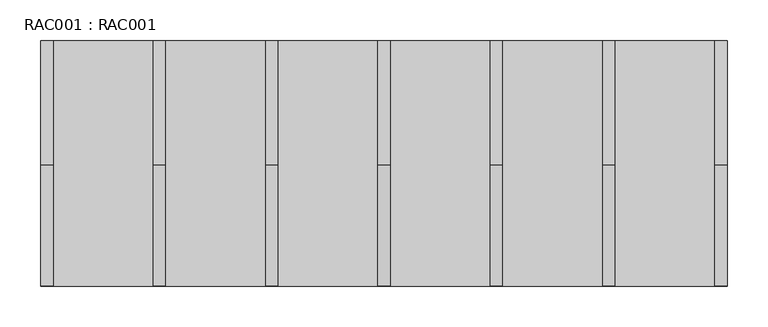
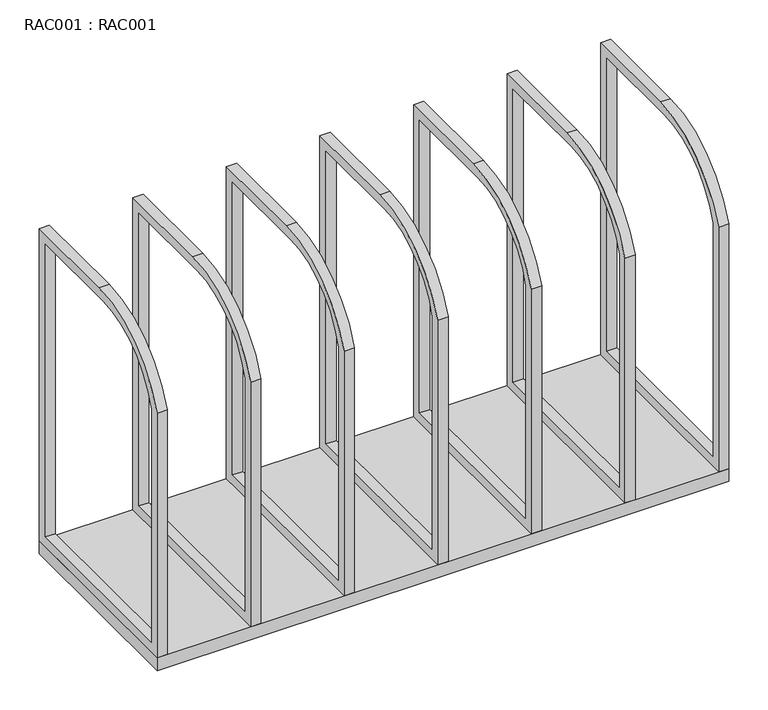
"""IFC4 building model written with IfcOpenShell, lengths in millimetres: proxy geometry, RAC001 : RAC001."""

from ifc_helpers import new_model, si_unit, point, frame, frame_2d, origin, place, context, project, spatial, polyline, circle_curve, trimmed, segment, composite_curve, outline, extrude, source, transform, mapped, element, save


def rac001_rac001_e29019bd(model_context):
    return source(origin(), model_context, "Body", "SweptSolid", [
        extrude(outline(composite_curve([segment(polyline([(0.0, 485.000004), (0.0, 0.0), (-300.0000023, 0.0), (-300.0000023, 380.0148581)]), True, "CONTINUOUS"), segment(trimmed(circle_curve(frame_2d((-151.8000003, 327.9057734)), 157.0942306), [point((-300.0000023, 380.0148581))], [point((-151.8000003, 485.000004))], False, "CARTESIAN"), True, "CONTINUOUS"), segment(polyline([(-151.8000003, 485.000004), (0.0, 485.000004)]), True, "CONTINUOUS")], self_intersect=False), holes=[composite_curve([segment(polyline([(-14.9999997, 470.0000112), (-161.4191633, 470.0000112)]), True, "CONTINUOUS"), segment(trimmed(circle_curve(frame_2d((-161.4191633, 341.3696967)), 128.6303145), [point((-161.4191633, 470.0000112))], [point((-284.9999913, 377.0563433))], True, "CARTESIAN"), True, "CONTINUOUS"), segment(polyline([(-284.9999913, 377.0563433), (-284.9999913, 14.9999995), (-14.9999997, 14.9999995), (-14.9999997, 470.0000112)]), True, "CONTINUOUS")], self_intersect=False)]), frame((137.4999271, 0.0, 0.0), z_axis=(1.0, 0.0, 0.0), x_axis=(0.0, 1.0, 0.0)), (0.0, 0.0, 1.0), 15.0000292),
        extrude(outline(composite_curve([segment(polyline([(0.0, 485.000004), (0.0, 0.0), (-300.0000023, 0.0), (-300.0000023, 380.0148581)]), True, "CONTINUOUS"), segment(trimmed(circle_curve(frame_2d((-151.8000003, 327.9057734)), 157.0942306), [point((-300.0000023, 380.0148581))], [point((-151.8000003, 485.000004))], False, "CARTESIAN"), True, "CONTINUOUS"), segment(polyline([(-151.8000003, 485.000004), (0.0, 485.000004)]), True, "CONTINUOUS")], self_intersect=False), holes=[composite_curve([segment(polyline([(-14.9999997, 470.0000112), (-161.4191633, 470.0000112)]), True, "CONTINUOUS"), segment(trimmed(circle_curve(frame_2d((-161.4191633, 341.3696967)), 128.6303145), [point((-161.4191633, 470.0000112))], [point((-284.9999913, 377.0563433))], True, "CARTESIAN"), True, "CONTINUOUS"), segment(polyline([(-284.9999913, 377.0563433), (-284.9999913, 14.9999995), (-14.9999997, 14.9999995), (-14.9999997, 470.0000112)]), True, "CONTINUOUS")], self_intersect=False)]), frame((274.9999334, 0.0, 0.0), z_axis=(1.0, 0.0, 0.0), x_axis=(0.0, 1.0, 0.0)), (0.0, 0.0, 1.0), 15.0000292),
        extrude(outline(composite_curve([segment(polyline([(0.0, 485.000004), (0.0, 0.0), (-300.0000023, 0.0), (-300.0000023, 380.0148581)]), True, "CONTINUOUS"), segment(trimmed(circle_curve(frame_2d((-151.8000003, 327.9057734)), 157.0942306), [point((-300.0000023, 380.0148581))], [point((-151.8000003, 485.000004))], False, "CARTESIAN"), True, "CONTINUOUS"), segment(polyline([(-151.8000003, 485.000004), (0.0, 485.000004)]), True, "CONTINUOUS")], self_intersect=False), holes=[composite_curve([segment(polyline([(-14.9999997, 470.0000112), (-161.4191633, 470.0000112)]), True, "CONTINUOUS"), segment(trimmed(circle_curve(frame_2d((-161.4191633, 341.3696967)), 128.6303145), [point((-161.4191633, 470.0000112))], [point((-284.9999913, 377.0563433))], True, "CARTESIAN"), True, "CONTINUOUS"), segment(polyline([(-284.9999913, 377.0563433), (-284.9999913, 14.9999995), (-14.9999997, 14.9999995), (-14.9999997, 470.0000112)]), True, "CONTINUOUS")], self_intersect=False)]), frame((412.4999271, 0.0, 0.0), z_axis=(1.0, 0.0, 0.0), x_axis=(0.0, 1.0, 0.0)), (0.0, 0.0, 1.0), 15.0000292),
        extrude(outline(composite_curve([segment(polyline([(0.0, 485.000004), (0.0, 0.0), (-300.0000023, 0.0), (-300.0000023, 380.0148581)]), True, "CONTINUOUS"), segment(trimmed(circle_curve(frame_2d((-151.8000003, 327.9057734)), 157.0942306), [point((-300.0000023, 380.0148581))], [point((-151.8000003, 485.000004))], False, "CARTESIAN"), True, "CONTINUOUS"), segment(polyline([(-151.8000003, 485.000004), (0.0, 485.000004)]), True, "CONTINUOUS")], self_intersect=False), holes=[composite_curve([segment(polyline([(-14.9999997, 470.0000112), (-161.4191633, 470.0000112)]), True, "CONTINUOUS"), segment(trimmed(circle_curve(frame_2d((-161.4191633, 341.3696967)), 128.6303145), [point((-161.4191633, 470.0000112))], [point((-284.9999913, 377.0563433))], True, "CARTESIAN"), True, "CONTINUOUS"), segment(polyline([(-284.9999913, 377.0563433), (-284.9999913, 14.9999995), (-14.9999997, 14.9999995), (-14.9999997, 470.0000112)]), True, "CONTINUOUS")], self_intersect=False)]), frame((549.9999334, 0.0, 0.0), z_axis=(1.0, 0.0, 0.0), x_axis=(0.0, 1.0, 0.0)), (0.0, 0.0, 1.0), 15.0000292),
        extrude(outline(composite_curve([segment(polyline([(0.0, 485.000004), (0.0, 0.0), (-300.0000023, 0.0), (-300.0000023, 380.0148581)]), True, "CONTINUOUS"), segment(trimmed(circle_curve(frame_2d((-151.8000003, 327.9057734)), 157.0942306), [point((-300.0000023, 380.0148581))], [point((-151.8000003, 485.000004))], False, "CARTESIAN"), True, "CONTINUOUS"), segment(polyline([(-151.8000003, 485.000004), (0.0, 485.000004)]), True, "CONTINUOUS")], self_intersect=False), holes=[composite_curve([segment(polyline([(-14.9999997, 470.0000112), (-161.4191633, 470.0000112)]), True, "CONTINUOUS"), segment(trimmed(circle_curve(frame_2d((-161.4191633, 341.3696967)), 128.6303145), [point((-161.4191633, 470.0000112))], [point((-284.9999913, 377.0563433))], True, "CARTESIAN"), True, "CONTINUOUS"), segment(polyline([(-284.9999913, 377.0563433), (-284.9999913, 14.9999995), (-14.9999997, 14.9999995), (-14.9999997, 470.0000112)]), True, "CONTINUOUS")], self_intersect=False)]), frame((687.4999626, 0.0, 0.0), z_axis=(1.0, 0.0, 0.0), x_axis=(0.0, 1.0, 0.0)), (0.0, 0.0, 1.0), 15.0000292),
        extrude(outline(composite_curve([segment(polyline([(0.0, 485.000004), (0.0, 0.0), (-300.0000023, 0.0), (-300.0000023, 380.0148581)]), True, "CONTINUOUS"), segment(trimmed(circle_curve(frame_2d((-151.8000003, 327.9057734)), 157.0942306), [point((-300.0000023, 380.0148581))], [point((-151.8000003, 485.000004))], False, "CARTESIAN"), True, "CONTINUOUS"), segment(polyline([(-151.8000003, 485.000004), (0.0, 485.000004)]), True, "CONTINUOUS")], self_intersect=False), holes=[composite_curve([segment(polyline([(-14.9999997, 470.0000112), (-161.4191633, 470.0000112)]), True, "CONTINUOUS"), segment(trimmed(circle_curve(frame_2d((-161.4191633, 341.3696967)), 128.6303145), [point((-161.4191633, 470.0000112))], [point((-284.9999913, 377.0563433))], True, "CARTESIAN"), True, "CONTINUOUS"), segment(polyline([(-284.9999913, 377.0563433), (-284.9999913, 14.9999995), (-14.9999997, 14.9999995), (-14.9999997, 470.0000112)]), True, "CONTINUOUS")], self_intersect=False)]), frame((0.0, 0.0, 0.0), z_axis=(1.0, 0.0, 0.0), x_axis=(0.0, 1.0, 0.0)), (0.0, 0.0, 1.0), 15.0000292),
        extrude(outline(composite_curve([segment(polyline([(0.0, 485.000004), (0.0, 0.0), (-300.0000023, 0.0), (-300.0000023, 380.0148581)]), True, "CONTINUOUS"), segment(trimmed(circle_curve(frame_2d((-151.8000003, 327.9057734)), 157.0942306), [point((-300.0000023, 380.0148581))], [point((-151.8000003, 485.000004))], False, "CARTESIAN"), True, "CONTINUOUS"), segment(polyline([(-151.8000003, 485.000004), (0.0, 485.000004)]), True, "CONTINUOUS")], self_intersect=False), holes=[composite_curve([segment(polyline([(-14.9999997, 470.0000112), (-161.4191633, 470.0000112)]), True, "CONTINUOUS"), segment(trimmed(circle_curve(frame_2d((-161.4191633, 341.3696967)), 128.6303145), [point((-161.4191633, 470.0000112))], [point((-284.9999913, 377.0563433))], True, "CARTESIAN"), True, "CONTINUOUS"), segment(polyline([(-284.9999913, 377.0563433), (-284.9999913, 14.9999995), (-14.9999997, 14.9999995), (-14.9999997, 470.0000112)]), True, "CONTINUOUS")], self_intersect=False)]), frame((825.0000063, 0.0, 0.0), z_axis=(1.0, 0.0, 0.0), x_axis=(0.0, 1.0, 0.0)), (0.0, 0.0, 1.0), 15.0000292),
        extrude(outline(polyline([(840.0000355, 0.0), (840.0000355, -300.0), (0.0, -300.0), (0.0, 0.0), (840.0000355, 0.0)])), frame((0.0, 0.0, -20.0), z_axis=(0.0, 0.0, 1.0), x_axis=(1.0, 0.0, 0.0)), (0.0, 0.0, 1.0), 20.0),
    ])


if __name__ == "__main__":
    model = new_model("IFC4")
    model_context = context("Model", 3, world=origin())
    ifc_project = project(units=[si_unit("LENGTHUNIT", "METRE", prefix="MILLI")], contexts=[model_context])
    site = spatial("IfcSite", under=ifc_project)
    building = spatial("IfcBuilding", under=site)
    placement = place(None, origin())
    rac001_rac001_shape = rac001_rac001_e29019bd(model_context)
    element("IfcBuildingElementProxy", 1, Name="RAC001 : RAC001", ObjectType="RAC001 : RAC001", at=placement, inside=building, context=model_context, shape_type="MappedRepresentation", body=[
        mapped(rac001_rac001_shape, transform((0.0, 0.0, 0.0), x_axis=(1.0, 0.0, 0.0), y_axis=(0.0, 1.0, 0.0), z_axis=(0.0, 0.0, 1.0))),
    ])
    save(model, "model.ifc")
